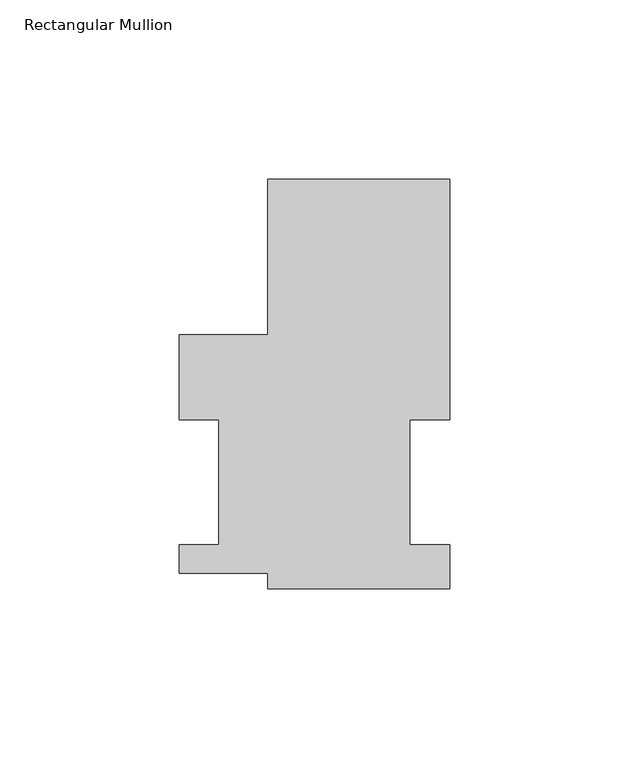
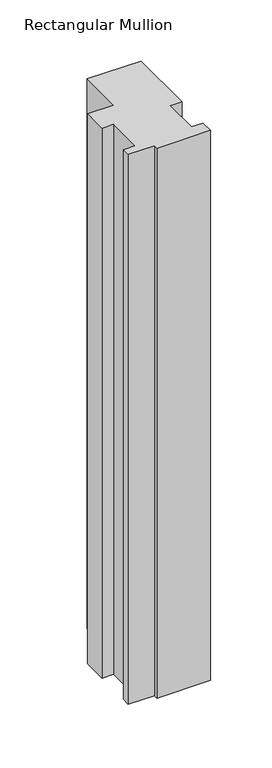
"""IFC4 building model written with IfcOpenShell, lengths in millimetres: member geometry, Rectangular Mullion."""

import ifcopenshell
import ifcopenshell.guid

model = None  # the IFC model being written
_history = None  # IfcOwnerHistory: only IFC2X3 demands one
_inside = {}  # id of a spatial element -> (the spatial element, [elements in it])
_under = {}  # id of a project, library or spatial element -> (it, [spatial elements below it])
_declared = {}  # id of a project -> (the project, [libraries it declares])
_typed = {}  # id of a type object -> (the type object, [elements of that type])
_made_of = {}  # id of a material, layer set ... -> (it, [elements and type objects made of it])


def new_model(schema):
    """Start an empty IFC model of exactly this schema.

    Asked for "IFC4X3", IfcOpenShell would pick the latest addendum, in which some entities
    have other attributes; the version numbers below select the first issue.
    IFC2X3 requires an IfcOwnerHistory on every rooted entity: one is made here for all.
    """
    global model, _history
    if schema == "IFC4X3":
        model = ifcopenshell.file(schema_version=(4, 3, 0, 0))
    else:
        model = ifcopenshell.file(schema=schema)
    _inside.clear()
    _under.clear()
    _declared.clear()
    _typed.clear()
    _made_of.clear()
    _history = None
    if model.schema == "IFC2X3":
        org = make("IfcOrganization", Name="unknown")
        user = make(
            "IfcPersonAndOrganization",
            ThePerson=make("IfcPerson", FamilyName="unknown"),
            TheOrganization=org,
        )
        app = make(
            "IfcApplication",
            ApplicationDeveloper=org,
            Version="unknown",
            ApplicationFullName="unknown",
            ApplicationIdentifier="unknown",
        )
        _history = make(
            "IfcOwnerHistory",
            OwningUser=user,
            OwningApplication=app,
            ChangeAction="ADDED",
            CreationDate=0,
        )
    return model


def make(cls, **values):
    """One entity of the class cls with the attributes given. An attribute that is None is left unset."""
    return model.create_entity(
        cls, **{name: value for name, value in values.items() if value is not None}
    )


def rooted(cls, **values):
    """An entity with a GlobalId (a new one), such as an element, a storey or a relation."""
    return make(cls, GlobalId=ifcopenshell.guid.new(), OwnerHistory=_history, **values)


def si_unit(unit_type, name, prefix=None):
    """IfcSIUnit, for example si_unit("LENGTHUNIT", "METRE", prefix="MILLI")."""
    return make("IfcSIUnit", UnitType=unit_type, Prefix=prefix, Name=name)


def assignment(units):
    """IfcUnitAssignment: the units of a project."""
    return None if units is None else make("IfcUnitAssignment", Units=units)


def point(xyz):
    """IfcCartesianPoint."""
    return None if xyz is None else make("IfcCartesianPoint", Coordinates=xyz)


def direction(xyz):
    """IfcDirection."""
    return None if xyz is None else make("IfcDirection", DirectionRatios=xyz)


def frame(location, z_axis=None, x_axis=None):
    """IfcAxis2Placement3D, a coordinate frame: its origin and axes. An axis left out is left unset."""
    return make(
        "IfcAxis2Placement3D",
        Location=point(location),
        Axis=direction(z_axis),
        RefDirection=direction(x_axis),
    )


def origin():
    """The frame at (0, 0, 0) with its axes left unset."""
    return frame((0.0, 0.0, 0.0))


def place(relative_to, where):
    """IfcLocalPlacement: puts the frame where relative to a parent placement (None: the world)."""
    return make(
        "IfcLocalPlacement", PlacementRelTo=relative_to, RelativePlacement=where
    )


def context(
    kind, dimensions, precision=None, world=None, true_north=None, identifier=None
):
    """IfcGeometricRepresentationContext, for example the 3D "Model" context."""
    return make(
        "IfcGeometricRepresentationContext",
        ContextIdentifier=identifier,
        ContextType=kind,
        CoordinateSpaceDimension=dimensions,
        Precision=precision,
        WorldCoordinateSystem=world,
        TrueNorth=true_north,
    )


def project(units=None, contexts=None):
    """IfcProject with its units and contexts."""
    return rooted(
        "IfcProject",
        Name="project",
        RepresentationContexts=contexts,
        UnitsInContext=assignment(units),
    )


def spatial(cls, under=None, at=None, **own):
    """A site, building, storey or space (cls), placed at a placement, below another one or the project."""
    s = rooted(cls, ObjectPlacement=at, **own)
    if under is not None:
        _under.setdefault(under.id(), (under, []))[1].append(s)
    return s


def polyline(points):
    """IfcPolyline through the points."""
    return make("IfcPolyline", Points=[point(p) for p in points])


def outline(outer, holes=None, kind="AREA"):
    """IfcArbitraryClosedProfileDef: a profile drawn as a closed curve; with holes, ...WithVoids."""
    if holes is None:
        return make("IfcArbitraryClosedProfileDef", ProfileType=kind, OuterCurve=outer)
    return make(
        "IfcArbitraryProfileDefWithVoids",
        ProfileType=kind,
        OuterCurve=outer,
        InnerCurves=holes,
    )


def extrude(swept, where, along, depth):
    """IfcExtrudedAreaSolid: the profile swept, set in the frame where, extruded along a direction by depth."""
    return make(
        "IfcExtrudedAreaSolid",
        SweptArea=swept,
        Position=where,
        ExtrudedDirection=direction(along),
        Depth=depth,
    )


def shape(context_of_items, identifier, shape_type, items):
    """IfcShapeRepresentation: the items that make up one representation, for example the "Body"."""
    return make(
        "IfcShapeRepresentation",
        ContextOfItems=context_of_items,
        RepresentationIdentifier=identifier,
        RepresentationType=shape_type,
        Items=items,
    )


def source(mapping_origin, context_of_items, identifier, shape_type, items):
    """IfcRepresentationMap: a shape defined once, which mapped items show again and again."""
    return make(
        "IfcRepresentationMap",
        MappingOrigin=mapping_origin,
        MappedRepresentation=shape(context_of_items, identifier, shape_type, items),
    )


def transform(
    local_origin,
    x_axis=None,
    y_axis=None,
    z_axis=None,
    scale=None,
    scale2=None,
    scale3=None,
    uniform=True,
):
    """IfcCartesianTransformationOperator3D, or its non-uniform kind. x_axis, y_axis, z_axis: its Axis1, 2, 3."""
    if uniform:
        return make(
            "IfcCartesianTransformationOperator3D",
            Axis1=direction(x_axis),
            Axis2=direction(y_axis),
            LocalOrigin=point(local_origin),
            Scale=scale,
            Axis3=direction(z_axis),
        )
    return make(
        "IfcCartesianTransformationOperator3DnonUniform",
        Axis1=direction(x_axis),
        Axis2=direction(y_axis),
        LocalOrigin=point(local_origin),
        Scale=scale,
        Axis3=direction(z_axis),
        Scale2=scale2,
        Scale3=scale3,
    )


def mapped(mapping_source, mapping_target):
    """IfcMappedItem: shows the shape of a source again, moved by a transform."""
    return make(
        "IfcMappedItem", MappingSource=mapping_source, MappingTarget=mapping_target
    )


def made_of(thing, what):
    """Note that an element or type object is made of a material, layer set ...; save() writes the relation."""
    if what is not None:
        _made_of.setdefault(what.id(), (what, []))[1].append(thing)
    return thing


def element(
    cls,
    number,
    at=None,
    inside=None,
    cuts=None,
    type_object=None,
    material=None,
    context=None,
    identifier="Body",
    shape_type=None,
    held_by="IfcProductDefinitionShape",
    body=None,
    shapes=None,
    **own,
):
    """One element of the class cls, such as IfcWall. Its Tag is "e" and its number.

    at: its placement. inside: the storey or other place that contains it. cuts: it is an
    opening in that element (IfcRelVoidsElement). A single representation is given by context,
    identifier, shape_type and body (its items); several are given by shapes. held_by: the class
    of the entity that holds the representations. save() writes the other relations.
    """
    e = rooted(cls, Tag="e%d" % number, ObjectPlacement=at, **own)
    if body is not None:
        shapes = [shape(context, identifier, shape_type, body)]
    if shapes is not None:
        e.Representation = make(held_by, Representations=shapes)
    if inside is not None:
        _inside.setdefault(inside.id(), (inside, []))[1].append(e)
    if cuts is not None:
        rooted(
            "IfcRelVoidsElement", RelatingBuildingElement=cuts, RelatedOpeningElement=e
        )
    if type_object is not None:
        _typed.setdefault(type_object.id(), (type_object, []))[1].append(e)
    return made_of(e, material)


def aggregate(whole, parts):
    """IfcRelAggregates: a whole, such as a stair, and the parts it consists of."""
    return rooted("IfcRelAggregates", RelatingObject=whole, RelatedObjects=parts)


def save(model, path):
    """Write the relations noted so far, then the file.

    IfcRelAggregates (storeys below a building ...), IfcRelContainedInSpatialStructure (elements
    in a storey), IfcRelDefinesByType, IfcRelAssociatesMaterial and IfcRelDeclares: one each for
    every whole, place, type object, material and project.
    """
    for whole, parts in _under.values():
        aggregate(whole, parts)
    for where, things in _inside.values():
        rooted(
            "IfcRelContainedInSpatialStructure",
            RelatedElements=things,
            RelatingStructure=where,
        )
    for kind, things in _typed.values():
        rooted("IfcRelDefinesByType", RelatedObjects=things, RelatingType=kind)
    for what, things in _made_of.values():
        rooted("IfcRelAssociatesMaterial", RelatedObjects=things, RelatingMaterial=what)
    for by, libraries in _declared.values():
        rooted("IfcRelDeclares", RelatingContext=by, RelatedDefinitions=libraries)
    model.write(path)


def rectangular_mullion_8b2d734c(model_context):
    return source(origin(), model_context, "Body", "SweptSolid", [
        extrude(outline(polyline([(25.4, 114.252375), (25.4, 47.069375), (14.2875, 47.069375), (14.2875, 12.144375), (25.4, 12.144375), (25.4, -0.047625), (-25.4, -0.047625), (-25.4, 4.219575), (-50.165, 4.219575), (-50.165, 12.144375), (-39.0398, 12.144375), (-39.0398, 47.069375), (-50.165, 47.069375), (-50.165, 70.767575), (-25.4, 70.767575), (-25.4, 114.252375), (25.4, 114.252375)])), frame((0.0, 0.0, -549.2748985), z_axis=(0.0, 0.0, 1.0), x_axis=(1.0, 0.0, 0.0)), (0.0, 0.0, 1.0), 549.2748985),
    ])


if __name__ == "__main__":
    model = new_model("IFC4")
    model_context = context("Model", 3, world=origin())
    ifc_project = project(units=[si_unit("LENGTHUNIT", "METRE", prefix="MILLI")], contexts=[model_context])
    site = spatial("IfcSite", under=ifc_project)
    building = spatial("IfcBuilding", under=site)
    placement = place(None, origin())
    rectangular_mullion_shape = rectangular_mullion_8b2d734c(model_context)
    element("IfcMember", 1, ObjectType="Rectangular Mullion", at=placement, inside=building, context=model_context, shape_type="MappedRepresentation", body=[
        mapped(rectangular_mullion_shape, transform((0.0, 0.0, 0.0), x_axis=(1.0, 0.0, 0.0), y_axis=(0.0, 1.0, 0.0), z_axis=(0.0, 0.0, 1.0))),
    ])
    save(model, "model.ifc")
